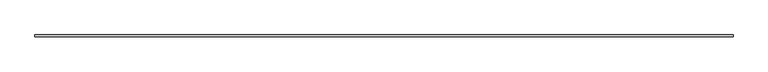
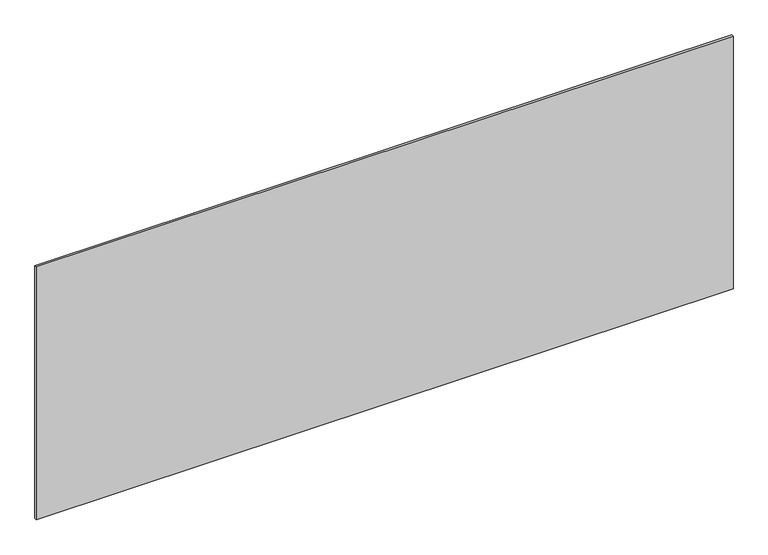
"""IFC4 building model written with IfcOpenShell, lengths in millimetres: plate geometry."""

from ifc_helpers import new_model, si_unit, origin, origin_with_axes, place, context, project, spatial, polyline, outline, extrude, source, transform, mapped, element, save


def plate_efc77291(model_context):
    return source(origin(), model_context, "Body", "SweptSolid", [
        extrude(outline(polyline([(1697.5, -5.0), (-1697.5, -5.0), (-1697.5, 5.0), (1697.5, 5.0), (1697.5, -5.0)])), origin_with_axes(), (0.0, 0.0, 1.0), 1301.3041156),
    ])


if __name__ == "__main__":
    model = new_model("IFC4")
    model_context = context("Model", 3, world=origin())
    ifc_project = project(units=[si_unit("LENGTHUNIT", "METRE", prefix="MILLI")], contexts=[model_context])
    site = spatial("IfcSite", under=ifc_project)
    building = spatial("IfcBuilding", under=site)
    placement = place(None, origin())
    plate_shape = plate_efc77291(model_context)
    element("IfcPlate", 1, at=placement, inside=building, context=model_context, shape_type="MappedRepresentation", body=[
        mapped(plate_shape, transform((0.0, 0.0, 0.0), x_axis=(1.0, 0.0, 0.0), y_axis=(0.0, 1.0, 0.0), z_axis=(0.0, 0.0, 1.0))),
    ])
    save(model, "model.ifc")
